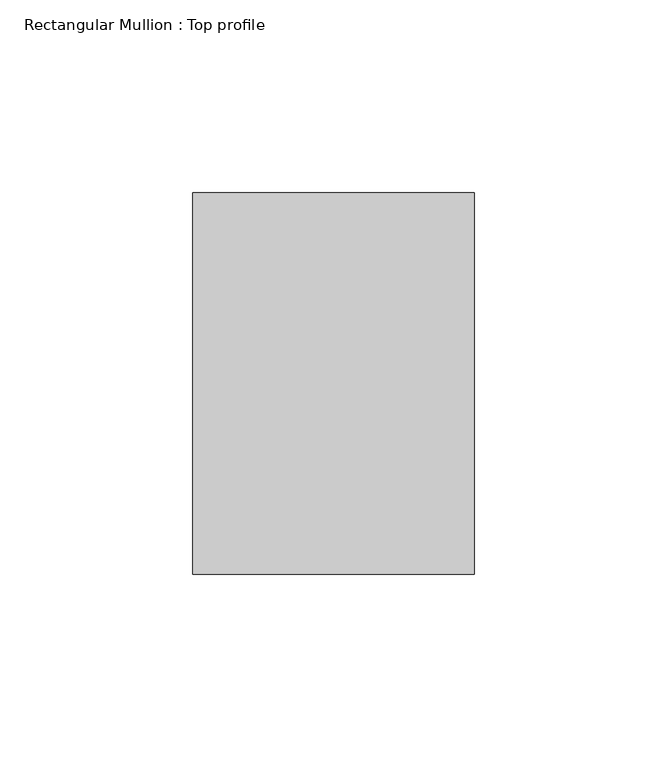
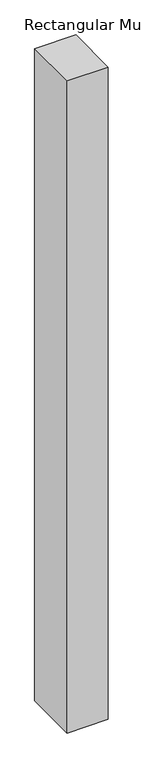
"""IFC4 building model written with IfcOpenShell, lengths in millimetres: member geometry, Rectangular Mullion : Top profile."""

from ifc_helpers import new_model, si_unit, frame, origin, place, context, project, spatial, polyline, outline, extrude, source, transform, mapped, element, save


def rectangular_mullion_top_profile_19fa8993(model_context):
    return source(origin(), model_context, "Body", "SweptSolid", [
        extrude(outline(polyline([(-73.0, -49.5), (-73.0, 49.5), (0.0, 49.5), (0.0, -49.5), (-73.0, -49.5)])), frame((0.0, 0.0, -1220.0), z_axis=(0.0, 0.0, 1.0), x_axis=(1.0, 0.0, 0.0)), (0.0, 0.0, 1.0), 1220.0),
    ])


if __name__ == "__main__":
    model = new_model("IFC4")
    model_context = context("Model", 3, world=origin())
    ifc_project = project(units=[si_unit("LENGTHUNIT", "METRE", prefix="MILLI")], contexts=[model_context])
    site = spatial("IfcSite", under=ifc_project)
    building = spatial("IfcBuilding", under=site)
    placement = place(None, origin())
    rectangular_mullion_top_profile_shape = rectangular_mullion_top_profile_19fa8993(model_context)
    element("IfcMember", 1, ObjectType="Rectangular Mullion : Top profile", at=placement, inside=building, context=model_context, shape_type="MappedRepresentation", body=[
        mapped(rectangular_mullion_top_profile_shape, transform((0.0, 0.0, 0.0), x_axis=(1.0, 0.0, 0.0), y_axis=(0.0, 1.0, 0.0), z_axis=(0.0, 0.0, 1.0))),
    ])
    save(model, "model.ifc")
